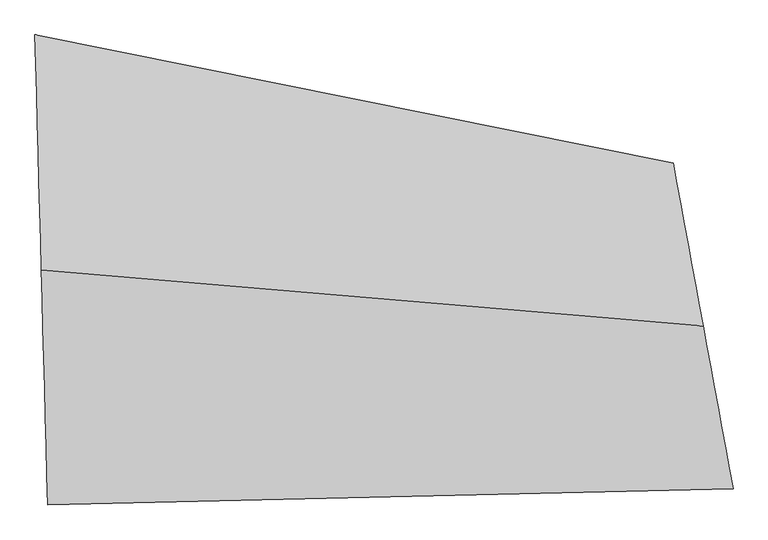
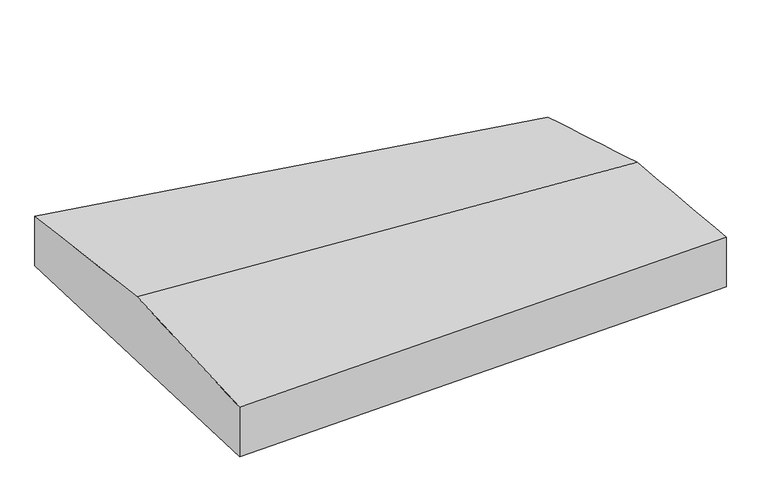
"""IFC4 building model written with IfcOpenShell, lengths in millimetres: proxy geometry."""

from ifc_helpers import new_model, si_unit, frame, origin, place, context, project, spatial, source, transform, mapped, element, save
from ifc_brep_helpers import plane_surface, spline_surface, advanced_brep


def generic_models_f234c6f4(model_context):
    return source(origin(), model_context, "Body", "AdvancedBrep", [
        advanced_brep(
        [(2674.7976631, 4439.4508904, 1500.0), (2719.1460801, 2818.2777357, 1650.0), (7280.8539199, 2430.8718893, 1650.0), (7074.4448741, 3554.0689151, 1500.0), (2763.494497, 1197.104581, 1500.0), (7487.2629658, 1307.6748634, 1500.0), (2763.494497, 1197.104581, 1000.0), (7487.2629658, 1307.6748634, 1000.0), (2674.7976631, 4439.4508904, 1000.0), (7074.4448741, 3554.0689151, 1000.0)],
        [
            (0, 1),
            (1, 2),
            (2, 3),
            (3, 0),
            (1, 4),
            (4, 5),
            (5, 2),
            (4, 6),
            (6, 7),
            (7, 5),
            (6, 8),
            (8, 9),
            (9, 7),
            (8, 0),
            (3, 9),
        ],
        [
            spline_surface(1, 1, [[(2674.7976631, 4439.4508904, 1500.0), (7074.4448741, 3554.0689151, 1500.0)], [(2719.1460801, 2818.2777357, 1650.0), (7280.8539199, 2430.8718893, 1650.0)]], [2, 2], [2, 2], [0.0, 1.0], [0.0, 1.0]),
            spline_surface(1, 1, [[(2719.1460801, 2818.2777357, 1650.0), (7280.8539199, 2430.8718893, 1650.0)], [(2763.494497, 1197.104581, 1500.0), (7487.2629658, 1307.6748634, 1500.0)]], [2, 2], [2, 2], [0.0, 1.0], [0.0, 1.0]),
            plane_surface(frame((2763.494497, 1197.104581, 1250.0), z_axis=(0.023400809109045684, -0.9997261635733268, 0.0), x_axis=(0.0, 0.0, -1.0))),
            plane_surface(frame((2719.1460801, 2818.2777357, 1000.0), z_axis=(0.0, 0.0, -1.0), x_axis=(-0.18074262368862182, 0.9835304286000273, 0.0))),
            plane_surface(frame((2674.7976631, 4439.4508904, 1250.0), z_axis=(0.19728422137878715, 0.9803463347179739, 0.0), x_axis=(0.0, 0.0, 1.0))),
            plane_surface(frame((7280.8539199, 2430.8718893, 1330.0), z_axis=(0.9835304286000272, 0.1807426236886223, 0.0), x_axis=(0.1792034013940924, -0.9751545849160497, 0.13022932252758856))),
            plane_surface(frame((2719.1460801, 2818.2777357, 1330.0), z_axis=(-0.9996260411840646, -0.027345525898670973, 0.0), x_axis=(0.0, 0.0, -1.0))),
        ],
        [
            (0, [[1, 2, 3, 4]]),
            (1, [[5, 6, 7, -2]]),
            (2, [[8, 9, 10, -6]]),
            (3, [[11, 12, 13, -9]]),
            (4, [[14, -4, 15, -12]]),
            (5, [[-3, -7, -10, -13, -15]]),
            (6, [[-14, -11, -8, -5, -1]]),
        ],
    ),
    ])


if __name__ == "__main__":
    model = new_model("IFC4")
    model_context = context("Model", 3, world=origin())
    ifc_project = project(units=[si_unit("LENGTHUNIT", "METRE", prefix="MILLI")], contexts=[model_context])
    site = spatial("IfcSite", under=ifc_project)
    building = spatial("IfcBuilding", under=site)
    placement = place(None, origin())
    generic_models_shape = generic_models_f234c6f4(model_context)
    element("IfcBuildingElementProxy", 1, Name="Generic Models", at=placement, inside=building, context=model_context, shape_type="MappedRepresentation", body=[
        mapped(generic_models_shape, transform((0.0, 0.0, 0.0), x_axis=(1.0, 0.0, 0.0), y_axis=(0.0, 1.0, 0.0), z_axis=(0.0, 0.0, 1.0))),
    ])
    save(model, "model.ifc")
